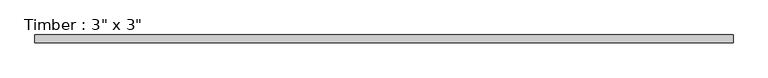
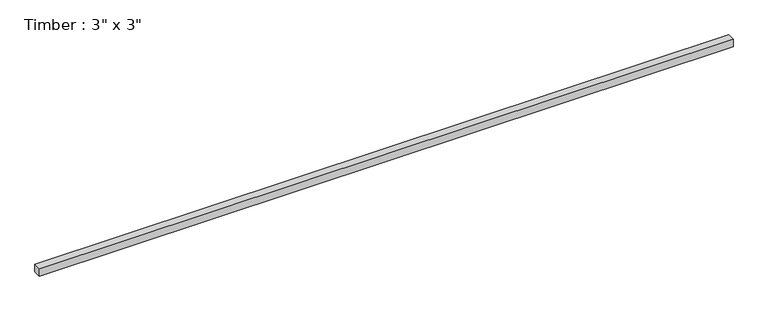
"""IFC4 building model written with IfcOpenShell, lengths in millimetres: beam geometry."""

from ifc_helpers import new_model, si_unit, frame, origin, place, context, project, spatial, polyline, outline, extrude, source, transform, mapped, element, save


def beam_88676b3b(model_context):
    return source(origin(), model_context, "Body", "SweptSolid", [
        extrude(outline(polyline([(3359.15, 38.1), (3359.15, -38.1), (-3359.15, -38.1), (-3359.15, 38.1), (3359.15, 38.1)])), frame((0.0, 0.0, -38.1), z_axis=(0.0, 0.0, 1.0), x_axis=(1.0, 0.0, 0.0)), (0.0, 0.0, 1.0), 76.2),
    ])


if __name__ == "__main__":
    model = new_model("IFC4")
    model_context = context("Model", 3, world=origin())
    ifc_project = project(units=[si_unit("LENGTHUNIT", "METRE", prefix="MILLI")], contexts=[model_context])
    site = spatial("IfcSite", under=ifc_project)
    building = spatial("IfcBuilding", under=site)
    placement = place(None, origin())
    beam_shape = beam_88676b3b(model_context)
    element("IfcBeam", 1, ObjectType="Timber : 3\" x 3\"", at=placement, inside=building, context=model_context, shape_type="MappedRepresentation", body=[
        mapped(beam_shape, transform((0.0, 0.0, 0.0), x_axis=(1.0, 0.0, 0.0), y_axis=(0.0, 1.0, 0.0), z_axis=(0.0, 0.0, 1.0))),
    ])
    save(model, "model.ifc")
